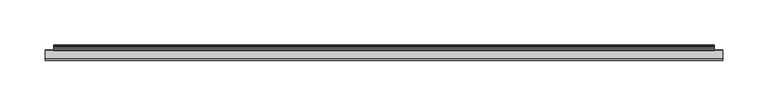
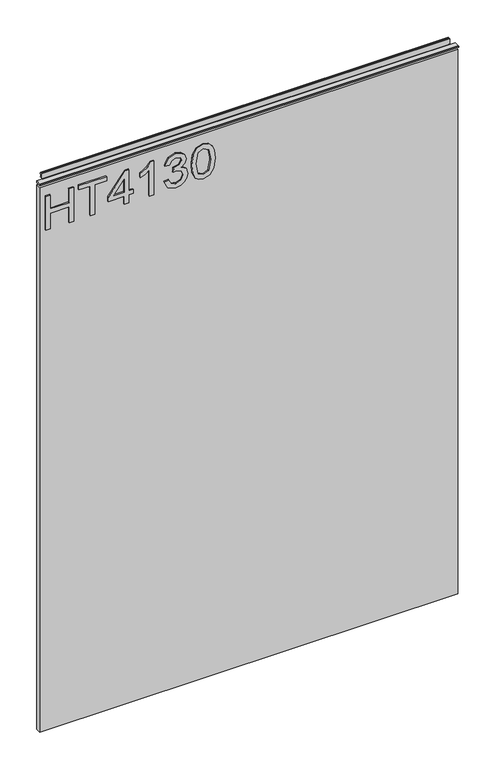
"""IFC4 building model written with IfcOpenShell, lengths in millimetres: furniture geometry."""

from ifc_helpers import new_model, si_unit, frame, origin, place, context, project, spatial, polyline, outline, extrude, source, transform, mapped, element, save


def furniture_1cad0fb2(model_context):
    return source(origin(), model_context, "Body", "SweptSolid", [
        extrude(outline(polyline([(1053.0078, -288.5795281), (1053.0078, -280.6058085), (1082.9092486, -280.6058085), (1082.9092486, -246.7175001), (1053.0078, -246.7175001), (1053.0078, -238.7437805), (1116.7975569, -238.7437805), (1116.7975569, -246.7175001), (1090.8829682, -246.7175001), (1090.8829682, -280.6058085), (1116.7975569, -280.6058085), (1116.7975569, -288.5795281), (1053.0078, -288.5795281)])), frame((0.0, -5.6037602, 0.0), z_axis=(0.0, 1.0, 0.0), x_axis=(0.0, 0.0, 1.0)), (0.0, 0.0, 1.0), 2.38125),
        extrude(outline(polyline([(1053.0078, -208.8423319), (1053.0078, -200.8686123), (1108.8238373, -200.8686123), (1108.8238373, -179.9375983), (1116.7975569, -179.9375983), (1116.7975569, -229.7733459), (1108.8238373, -229.7733459), (1108.8238373, -208.8423319), (1053.0078, -208.8423319)])), frame((0.0, -5.6037602, 0.0), z_axis=(0.0, 1.0, 0.0), x_axis=(0.0, 0.0, 1.0)), (0.0, 0.0, 1.0), 2.38125),
        extrude(outline(polyline([(1053.0078, -148.0427198), (1053.0078, -140.0690002), (1067.9585243, -140.0690002), (1067.9585243, -132.0952806), (1075.9322439, -132.0952806), (1075.9322439, -140.0690002), (1115.800842, -140.0690002), (1115.800842, -146.0492899), (1075.9322439, -176.9474534), (1067.9585243, -176.9474534), (1067.9585243, -148.0427198), (1053.0078, -148.0427198)]), holes=[polyline([(1075.9322439, -148.0427198), (1075.9322439, -167.1360406), (1100.5697916, -148.0427198), (1075.9322439, -148.0427198)])]), frame((0.0, -5.6037602, 0.0), z_axis=(0.0, 1.0, 0.0), x_axis=(0.0, 0.0, 1.0)), (0.0, 0.0, 1.0), 2.38125),
        extrude(outline(polyline([(1053.0078, -95.2168274), (1116.7975569, -95.2168274), (1116.7975569, -100.3561388), (1108.3099062, -107.449946), (1100.8501177, -119.1379862), (1093.3124609, -119.1379862), (1097.3382549, -110.7437775), (1102.7189582, -103.190547), (1053.0078, -103.190547), (1053.0078, -95.2168274)])), frame((0.0, -5.6037602, 0.0), z_axis=(0.0, 1.0, 0.0), x_axis=(0.0, 0.0, 1.0)), (0.0, 0.0, 1.0), 2.38125),
        extrude(outline(polyline([(1069.9519542, -76.2792433), (1057.0102335, -69.9407591), (1052.011085, -55.9556024), (1053.4750101, -47.4329109), (1057.8667854, -40.5220944), (1064.3610063, -35.943435), (1072.1322681, -34.4172153), (1082.5043331, -37.4696548), (1087.955118, -46.1597633), (1093.2345925, -39.6188214), (1100.5853653, -37.4073601), (1108.6291664, -39.735624), (1114.6094562, -46.4634499), (1116.7975569, -56.0801918), (1112.3590607, -68.7571601), (1099.8534028, -75.2825283), (1098.8566878, -67.3088087), (1106.3320499, -63.3998172), (1108.8238373, -55.7998657), (1106.3554105, -48.2933562), (1100.1181552, -45.3810797), (1093.0788558, -49.3990869), (1090.8829682, -59.7244309), (1082.9092486, -60.6121301), (1083.7813742, -55.0211822), (1080.51869, -45.9573056), (1072.2724312, -42.3909349), (1063.520028, -45.9884529), (1059.9848047, -55.6752764), (1062.5544604, -63.9059616), (1070.9486691, -68.3055236), (1069.9519542, -76.2792433)])), frame((0.0, -5.6037602, 0.0), z_axis=(0.0, 1.0, 0.0), x_axis=(0.0, 0.0, 1.0)), (0.0, 0.0, 1.0), 2.38125),
        extrude(outline(polyline([(1084.3887473, -27.4402106), (1068.8734775, -25.8516961), (1058.0848168, -21.0861528), (1053.529518, -14.7943896), (1052.011085, -6.5091966), (1055.5073742, 5.1632699), (1066.1130443, 12.1013404), (1084.3887473, 14.4218174), (1099.3784058, 12.973466), (1108.8160505, 9.2357849), (1114.7418324, 2.8038587), (1116.7975569, -6.5091966), (1113.3246283, -18.1349421), (1102.7423188, -25.0963731), (1084.3887473, -27.4402106)]), holes=[polyline([(1084.404321, -19.466491), (1104.5566514, -15.6042205), (1108.8238373, -6.6026386), (1103.9804256, 2.8350061), (1084.404321, 6.4480978), (1064.6179718, 2.7104167), (1059.9848047, -6.5091966), (1064.6023982, -15.7288099), (1084.404321, -19.466491)])]), frame((0.0, -5.6037602, 0.0), z_axis=(0.0, 1.0, 0.0), x_axis=(0.0, 0.0, 1.0)), (0.0, 0.0, 1.0), 2.38125),
        extrude(outline(polyline([(5.5562561, 1143.0), (6.3500061, 1143.0), (6.3500061, 1152.87425), (7.1437561, 1153.668), (8.6677569, 1153.668), (10.0084363, 1153.2506926), (10.875413, 1152.1461816), (10.9623604, 1150.7447591), (10.2390011, 1147.7863459), (10.4046103, 1146.5833307), (11.6746103, 1144.3836103), (10.7786383, 1143.8663244), (7.1437561, 1143.8663244), (7.1437561, 1143.0), (6.3500061, 1142.7669239), (6.3500061, 1135.5578), (5.5562561, 1135.5578), (5.5562561, 1143.0)])), frame((-288.671, 0.0, 0.0), z_axis=(1.0, 0.0, 0.0), x_axis=(0.0, 1.0, 0.0)), (0.0, 0.0, 1.0), 729.742),
        extrude(outline(polyline([(5.5562561, 1143.0), (5.5562561, 1139.8249996), (-3.975094, 1139.8249996), (-5.3492339, 1140.6183657), (-5.3492339, 1142.2066395), (-3.9751037, 1143.0), (5.5562561, 1143.0)])), frame((-298.196, 0.0, 0.0), z_axis=(1.0, 0.0, 0.0), x_axis=(0.0, 1.0, 0.0)), (0.0, 0.0, 1.0), 748.792),
        extrude(outline(polyline([(450.596, 6.3500061), (450.596, -3.1749939), (-298.196, -3.1749939), (-298.196, 6.3500061), (450.596, 6.3500061)])), frame((0.0, 0.0, 104.69626), z_axis=(0.0, 0.0, 1.0), x_axis=(1.0, 0.0, 0.0)), (0.0, 0.0, 1.0), 1030.86154),
    ])


if __name__ == "__main__":
    model = new_model("IFC4")
    model_context = context("Model", 3, world=origin())
    ifc_project = project(units=[si_unit("LENGTHUNIT", "METRE", prefix="MILLI")], contexts=[model_context])
    site = spatial("IfcSite", under=ifc_project)
    building = spatial("IfcBuilding", under=site)
    placement = place(None, origin())
    furniture_shape = furniture_1cad0fb2(model_context)
    element("IfcFurniture", 1, at=placement, inside=building, context=model_context, shape_type="MappedRepresentation", body=[
        mapped(furniture_shape, transform((0.0, 0.0, 0.0), x_axis=(1.0, 0.0, 0.0), y_axis=(0.0, 1.0, 0.0), z_axis=(0.0, 0.0, 1.0))),
    ])
    save(model, "model.ifc")
